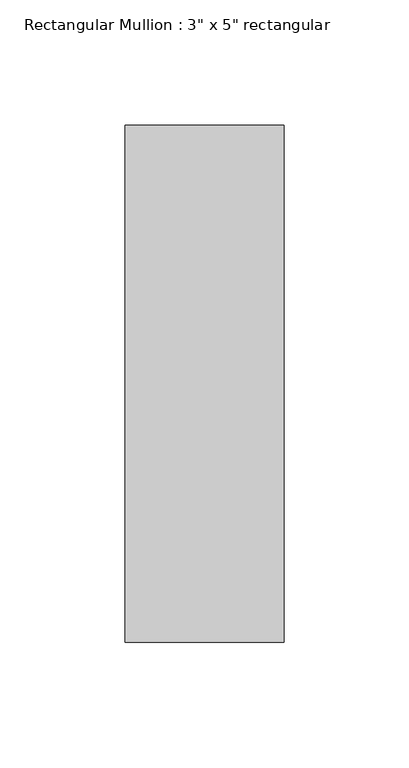
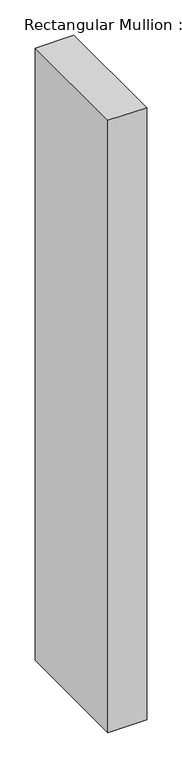
"""IFC4 building model written with IfcOpenShell, lengths in millimetres: member geometry."""

from ifc_helpers import new_model, si_unit, frame, origin, place, context, project, spatial, polyline, outline, extrude, source, transform, mapped, element, save


def member_ce207925(model_context):
    return source(origin(), model_context, "Body", "SweptSolid", [
        extrude(outline(polyline([(31.75, 90.551), (31.75, -115.951), (-31.75, -115.951), (-31.75, 90.551), (31.75, 90.551)])), frame((0.0, 0.0, -1060.95), z_axis=(0.0, 0.0, 1.0), x_axis=(1.0, 0.0, 0.0)), (0.0, 0.0, 1.0), 1060.95),
    ])


if __name__ == "__main__":
    model = new_model("IFC4")
    model_context = context("Model", 3, world=origin())
    ifc_project = project(units=[si_unit("LENGTHUNIT", "METRE", prefix="MILLI")], contexts=[model_context])
    site = spatial("IfcSite", under=ifc_project)
    building = spatial("IfcBuilding", under=site)
    placement = place(None, origin())
    member_shape = member_ce207925(model_context)
    element("IfcMember", 1, ObjectType="Rectangular Mullion : 3\" x 5\" rectangular", at=placement, inside=building, context=model_context, shape_type="MappedRepresentation", body=[
        mapped(member_shape, transform((0.0, 0.0, 0.0), x_axis=(1.0, 0.0, 0.0), y_axis=(0.0, 1.0, 0.0), z_axis=(0.0, 0.0, 1.0))),
    ])
    save(model, "model.ifc")
